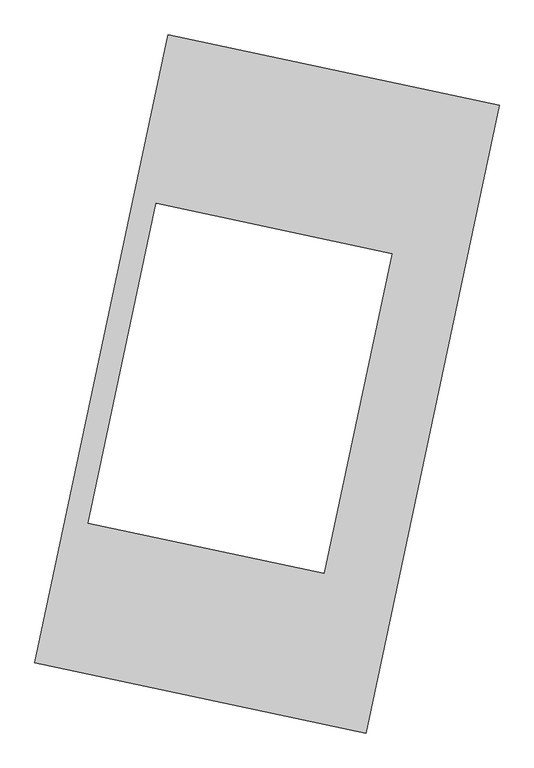
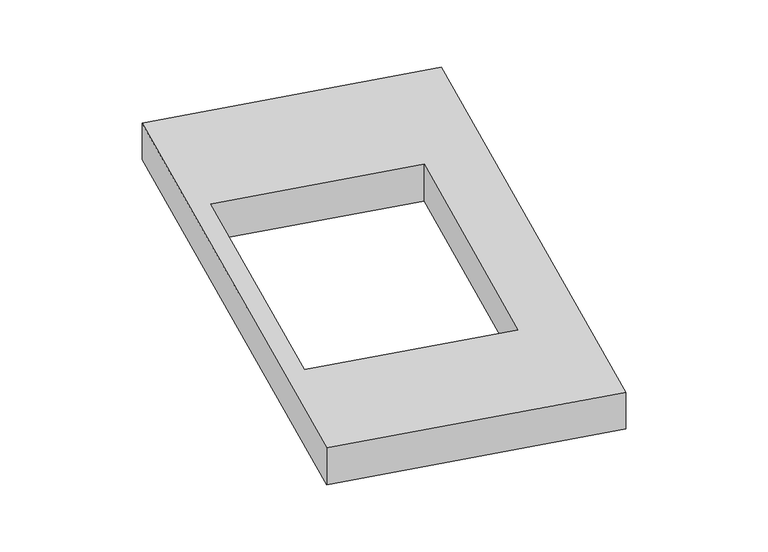
"""IFC4 building model written with IfcOpenShell, lengths in millimetres: proxy geometry."""

from ifc_helpers import new_model, si_unit, origin, origin_with_axes, place, context, project, spatial, polyline, outline, extrude, source, transform, mapped, element, save


def generic_models_80a57354(model_context):
    return source(origin(), model_context, "Body", "SweptSolid", [
        extrude(outline(polyline([(-617.3692021, 2175.5580432), (1447.7508745, 1737.3010494), (617.3692021, -2175.5580432), (-1447.7508745, -1737.3010494), (-617.3692021, 2175.5580432)]), holes=[polyline([(779.1005389, 812.5780625), (-692.8127527, 1124.9455134), (-1115.5606958, -867.0940367), (356.3525958, -1179.4614876), (779.1005389, 812.5780625)])]), origin_with_axes(), (0.0, 0.0, 1.0), 300.0),
    ])


if __name__ == "__main__":
    model = new_model("IFC4")
    model_context = context("Model", 3, world=origin())
    ifc_project = project(units=[si_unit("LENGTHUNIT", "METRE", prefix="MILLI")], contexts=[model_context])
    site = spatial("IfcSite", under=ifc_project)
    building = spatial("IfcBuilding", under=site)
    placement = place(None, origin())
    generic_models_shape = generic_models_80a57354(model_context)
    element("IfcBuildingElementProxy", 1, Name="Generic Models", at=placement, inside=building, context=model_context, shape_type="MappedRepresentation", body=[
        mapped(generic_models_shape, transform((0.0, 0.0, 0.0), x_axis=(1.0, 0.0, 0.0), y_axis=(0.0, 1.0, 0.0), z_axis=(0.0, 0.0, 1.0))),
    ])
    save(model, "model.ifc")
